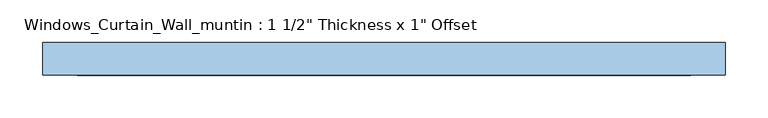
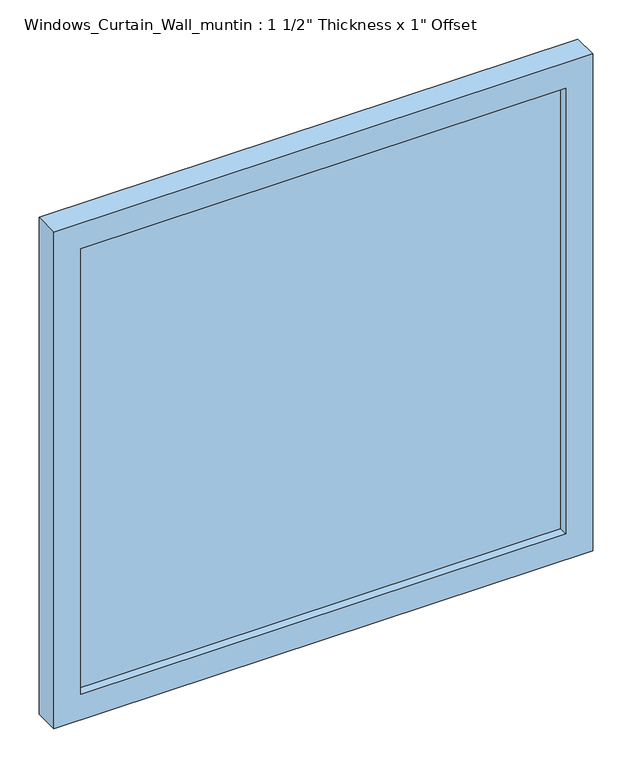
"""IFC4 building model written with IfcOpenShell, lengths in millimetres: window geometry."""

import ifcopenshell
import ifcopenshell.guid

model = None  # the IFC model being written
_history = None  # IfcOwnerHistory: only IFC2X3 demands one
_inside = {}  # id of a spatial element -> (the spatial element, [elements in it])
_under = {}  # id of a project, library or spatial element -> (it, [spatial elements below it])
_declared = {}  # id of a project -> (the project, [libraries it declares])
_typed = {}  # id of a type object -> (the type object, [elements of that type])
_made_of = {}  # id of a material, layer set ... -> (it, [elements and type objects made of it])


def new_model(schema):
    """Start an empty IFC model of exactly this schema.

    Asked for "IFC4X3", IfcOpenShell would pick the latest addendum, in which some entities
    have other attributes; the version numbers below select the first issue.
    IFC2X3 requires an IfcOwnerHistory on every rooted entity: one is made here for all.
    """
    global model, _history
    if schema == "IFC4X3":
        model = ifcopenshell.file(schema_version=(4, 3, 0, 0))
    else:
        model = ifcopenshell.file(schema=schema)
    _inside.clear()
    _under.clear()
    _declared.clear()
    _typed.clear()
    _made_of.clear()
    _history = None
    if model.schema == "IFC2X3":
        org = make("IfcOrganization", Name="unknown")
        user = make(
            "IfcPersonAndOrganization",
            ThePerson=make("IfcPerson", FamilyName="unknown"),
            TheOrganization=org,
        )
        app = make(
            "IfcApplication",
            ApplicationDeveloper=org,
            Version="unknown",
            ApplicationFullName="unknown",
            ApplicationIdentifier="unknown",
        )
        _history = make(
            "IfcOwnerHistory",
            OwningUser=user,
            OwningApplication=app,
            ChangeAction="ADDED",
            CreationDate=0,
        )
    return model


def make(cls, **values):
    """One entity of the class cls with the attributes given. An attribute that is None is left unset."""
    return model.create_entity(
        cls, **{name: value for name, value in values.items() if value is not None}
    )


def rooted(cls, **values):
    """An entity with a GlobalId (a new one), such as an element, a storey or a relation."""
    return make(cls, GlobalId=ifcopenshell.guid.new(), OwnerHistory=_history, **values)


def si_unit(unit_type, name, prefix=None):
    """IfcSIUnit, for example si_unit("LENGTHUNIT", "METRE", prefix="MILLI")."""
    return make("IfcSIUnit", UnitType=unit_type, Prefix=prefix, Name=name)


def assignment(units):
    """IfcUnitAssignment: the units of a project."""
    return None if units is None else make("IfcUnitAssignment", Units=units)


def point(xyz):
    """IfcCartesianPoint."""
    return None if xyz is None else make("IfcCartesianPoint", Coordinates=xyz)


def direction(xyz):
    """IfcDirection."""
    return None if xyz is None else make("IfcDirection", DirectionRatios=xyz)


def frame(location, z_axis=None, x_axis=None):
    """IfcAxis2Placement3D, a coordinate frame: its origin and axes. An axis left out is left unset."""
    return make(
        "IfcAxis2Placement3D",
        Location=point(location),
        Axis=direction(z_axis),
        RefDirection=direction(x_axis),
    )


def origin():
    """The frame at (0, 0, 0) with its axes left unset."""
    return frame((0.0, 0.0, 0.0))


def place(relative_to, where):
    """IfcLocalPlacement: puts the frame where relative to a parent placement (None: the world)."""
    return make(
        "IfcLocalPlacement", PlacementRelTo=relative_to, RelativePlacement=where
    )


def context(
    kind, dimensions, precision=None, world=None, true_north=None, identifier=None
):
    """IfcGeometricRepresentationContext, for example the 3D "Model" context."""
    return make(
        "IfcGeometricRepresentationContext",
        ContextIdentifier=identifier,
        ContextType=kind,
        CoordinateSpaceDimension=dimensions,
        Precision=precision,
        WorldCoordinateSystem=world,
        TrueNorth=true_north,
    )


def project(units=None, contexts=None):
    """IfcProject with its units and contexts."""
    return rooted(
        "IfcProject",
        Name="project",
        RepresentationContexts=contexts,
        UnitsInContext=assignment(units),
    )


def spatial(cls, under=None, at=None, **own):
    """A site, building, storey or space (cls), placed at a placement, below another one or the project."""
    s = rooted(cls, ObjectPlacement=at, **own)
    if under is not None:
        _under.setdefault(under.id(), (under, []))[1].append(s)
    return s


def polyline(points):
    """IfcPolyline through the points."""
    return make("IfcPolyline", Points=[point(p) for p in points])


def outline(outer, holes=None, kind="AREA"):
    """IfcArbitraryClosedProfileDef: a profile drawn as a closed curve; with holes, ...WithVoids."""
    if holes is None:
        return make("IfcArbitraryClosedProfileDef", ProfileType=kind, OuterCurve=outer)
    return make(
        "IfcArbitraryProfileDefWithVoids",
        ProfileType=kind,
        OuterCurve=outer,
        InnerCurves=holes,
    )


def extrude(swept, where, along, depth):
    """IfcExtrudedAreaSolid: the profile swept, set in the frame where, extruded along a direction by depth."""
    return make(
        "IfcExtrudedAreaSolid",
        SweptArea=swept,
        Position=where,
        ExtrudedDirection=direction(along),
        Depth=depth,
    )


def shape(context_of_items, identifier, shape_type, items):
    """IfcShapeRepresentation: the items that make up one representation, for example the "Body"."""
    return make(
        "IfcShapeRepresentation",
        ContextOfItems=context_of_items,
        RepresentationIdentifier=identifier,
        RepresentationType=shape_type,
        Items=items,
    )


def source(mapping_origin, context_of_items, identifier, shape_type, items):
    """IfcRepresentationMap: a shape defined once, which mapped items show again and again."""
    return make(
        "IfcRepresentationMap",
        MappingOrigin=mapping_origin,
        MappedRepresentation=shape(context_of_items, identifier, shape_type, items),
    )


def transform(
    local_origin,
    x_axis=None,
    y_axis=None,
    z_axis=None,
    scale=None,
    scale2=None,
    scale3=None,
    uniform=True,
):
    """IfcCartesianTransformationOperator3D, or its non-uniform kind. x_axis, y_axis, z_axis: its Axis1, 2, 3."""
    if uniform:
        return make(
            "IfcCartesianTransformationOperator3D",
            Axis1=direction(x_axis),
            Axis2=direction(y_axis),
            LocalOrigin=point(local_origin),
            Scale=scale,
            Axis3=direction(z_axis),
        )
    return make(
        "IfcCartesianTransformationOperator3DnonUniform",
        Axis1=direction(x_axis),
        Axis2=direction(y_axis),
        LocalOrigin=point(local_origin),
        Scale=scale,
        Axis3=direction(z_axis),
        Scale2=scale2,
        Scale3=scale3,
    )


def mapped(mapping_source, mapping_target):
    """IfcMappedItem: shows the shape of a source again, moved by a transform."""
    return make(
        "IfcMappedItem", MappingSource=mapping_source, MappingTarget=mapping_target
    )


def made_of(thing, what):
    """Note that an element or type object is made of a material, layer set ...; save() writes the relation."""
    if what is not None:
        _made_of.setdefault(what.id(), (what, []))[1].append(thing)
    return thing


def element(
    cls,
    number,
    at=None,
    inside=None,
    cuts=None,
    type_object=None,
    material=None,
    context=None,
    identifier="Body",
    shape_type=None,
    held_by="IfcProductDefinitionShape",
    body=None,
    shapes=None,
    **own,
):
    """One element of the class cls, such as IfcWall. Its Tag is "e" and its number.

    at: its placement. inside: the storey or other place that contains it. cuts: it is an
    opening in that element (IfcRelVoidsElement). A single representation is given by context,
    identifier, shape_type and body (its items); several are given by shapes. held_by: the class
    of the entity that holds the representations. save() writes the other relations.
    """
    e = rooted(cls, Tag="e%d" % number, ObjectPlacement=at, **own)
    if body is not None:
        shapes = [shape(context, identifier, shape_type, body)]
    if shapes is not None:
        e.Representation = make(held_by, Representations=shapes)
    if inside is not None:
        _inside.setdefault(inside.id(), (inside, []))[1].append(e)
    if cuts is not None:
        rooted(
            "IfcRelVoidsElement", RelatingBuildingElement=cuts, RelatedOpeningElement=e
        )
    if type_object is not None:
        _typed.setdefault(type_object.id(), (type_object, []))[1].append(e)
    return made_of(e, material)


def aggregate(whole, parts):
    """IfcRelAggregates: a whole, such as a stair, and the parts it consists of."""
    return rooted("IfcRelAggregates", RelatingObject=whole, RelatedObjects=parts)


def save(model, path):
    """Write the relations noted so far, then the file.

    IfcRelAggregates (storeys below a building ...), IfcRelContainedInSpatialStructure (elements
    in a storey), IfcRelDefinesByType, IfcRelAssociatesMaterial and IfcRelDeclares: one each for
    every whole, place, type object, material and project.
    """
    for whole, parts in _under.values():
        aggregate(whole, parts)
    for where, things in _inside.values():
        rooted(
            "IfcRelContainedInSpatialStructure",
            RelatedElements=things,
            RelatingStructure=where,
        )
    for kind, things in _typed.values():
        rooted("IfcRelDefinesByType", RelatedObjects=things, RelatingType=kind)
    for what, things in _made_of.values():
        rooted("IfcRelAssociatesMaterial", RelatedObjects=things, RelatingMaterial=what)
    for by, libraries in _declared.values():
        rooted("IfcRelDeclares", RelatingContext=by, RelatedDefinitions=libraries)
    model.write(path)


def window_4821ab60(model_context):
    return source(origin(), model_context, "Body", "SweptSolid", [
        extrude(outline(polyline([(776.8166667, -398.4625), (0.0, -398.4625), (0.0, 398.4625), (776.8166667, 398.4625), (776.8166667, -398.4625)]), holes=[polyline([(736.8166667, -358.4625), (736.8166667, 358.4625), (40.0, 358.4625), (40.0, -358.4625), (736.8166667, -358.4625)])]), frame((0.0, -12.7, 0.0), z_axis=(0.0, 1.0, 0.0), x_axis=(0.0, 0.0, 1.0)), (0.0, 0.0, 1.0), 38.1),
        extrude(outline(polyline([(358.4625, 0.35), (-358.4625, 0.35), (-358.4625, 12.35), (358.4625, 12.35), (358.4625, 0.35)])), frame((0.0, 0.0, 40.0), z_axis=(0.0, 0.0, 1.0), x_axis=(1.0, 0.0, 0.0)), (0.0, 0.0, 1.0), 696.8166667),
    ])


if __name__ == "__main__":
    model = new_model("IFC4")
    model_context = context("Model", 3, world=origin())
    ifc_project = project(units=[si_unit("LENGTHUNIT", "METRE", prefix="MILLI")], contexts=[model_context])
    site = spatial("IfcSite", under=ifc_project)
    building = spatial("IfcBuilding", under=site)
    placement = place(None, origin())
    window_shape = window_4821ab60(model_context)
    element("IfcWindow", 1, ObjectType="Windows_Curtain_Wall_muntin : 1 1/2\" Thickness x 1\" Offset", at=placement, inside=building, context=model_context, shape_type="MappedRepresentation", body=[
        mapped(window_shape, transform((0.0, 0.0, 0.0), x_axis=(1.0, 0.0, 0.0), y_axis=(0.0, 1.0, 0.0), z_axis=(0.0, 0.0, 1.0))),
    ])
    save(model, "model.ifc")
